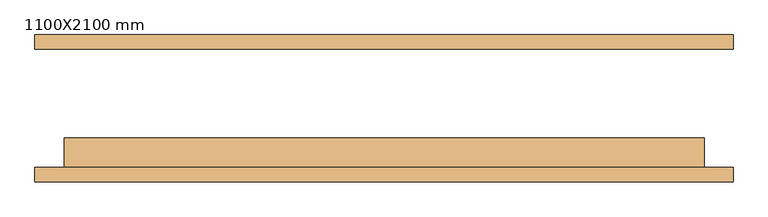
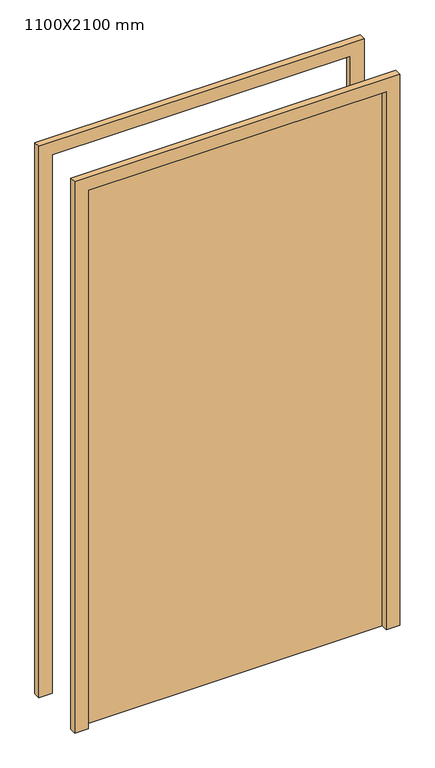
"""IFC4 building model written with IfcOpenShell, lengths in millimetres: door geometry, 1100X2100 mm."""

import ifcopenshell
import ifcopenshell.guid

model = None  # the IFC model being written
_history = None  # IfcOwnerHistory: only IFC2X3 demands one
_inside = {}  # id of a spatial element -> (the spatial element, [elements in it])
_under = {}  # id of a project, library or spatial element -> (it, [spatial elements below it])
_declared = {}  # id of a project -> (the project, [libraries it declares])
_typed = {}  # id of a type object -> (the type object, [elements of that type])
_made_of = {}  # id of a material, layer set ... -> (it, [elements and type objects made of it])


def new_model(schema):
    """Start an empty IFC model of exactly this schema.

    Asked for "IFC4X3", IfcOpenShell would pick the latest addendum, in which some entities
    have other attributes; the version numbers below select the first issue.
    IFC2X3 requires an IfcOwnerHistory on every rooted entity: one is made here for all.
    """
    global model, _history
    if schema == "IFC4X3":
        model = ifcopenshell.file(schema_version=(4, 3, 0, 0))
    else:
        model = ifcopenshell.file(schema=schema)
    _inside.clear()
    _under.clear()
    _declared.clear()
    _typed.clear()
    _made_of.clear()
    _history = None
    if model.schema == "IFC2X3":
        org = make("IfcOrganization", Name="unknown")
        user = make(
            "IfcPersonAndOrganization",
            ThePerson=make("IfcPerson", FamilyName="unknown"),
            TheOrganization=org,
        )
        app = make(
            "IfcApplication",
            ApplicationDeveloper=org,
            Version="unknown",
            ApplicationFullName="unknown",
            ApplicationIdentifier="unknown",
        )
        _history = make(
            "IfcOwnerHistory",
            OwningUser=user,
            OwningApplication=app,
            ChangeAction="ADDED",
            CreationDate=0,
        )
    return model


def make(cls, **values):
    """One entity of the class cls with the attributes given. An attribute that is None is left unset."""
    return model.create_entity(
        cls, **{name: value for name, value in values.items() if value is not None}
    )


def rooted(cls, **values):
    """An entity with a GlobalId (a new one), such as an element, a storey or a relation."""
    return make(cls, GlobalId=ifcopenshell.guid.new(), OwnerHistory=_history, **values)


def si_unit(unit_type, name, prefix=None):
    """IfcSIUnit, for example si_unit("LENGTHUNIT", "METRE", prefix="MILLI")."""
    return make("IfcSIUnit", UnitType=unit_type, Prefix=prefix, Name=name)


def assignment(units):
    """IfcUnitAssignment: the units of a project."""
    return None if units is None else make("IfcUnitAssignment", Units=units)


def point(xyz):
    """IfcCartesianPoint."""
    return None if xyz is None else make("IfcCartesianPoint", Coordinates=xyz)


def direction(xyz):
    """IfcDirection."""
    return None if xyz is None else make("IfcDirection", DirectionRatios=xyz)


def frame(location, z_axis=None, x_axis=None):
    """IfcAxis2Placement3D, a coordinate frame: its origin and axes. An axis left out is left unset."""
    return make(
        "IfcAxis2Placement3D",
        Location=point(location),
        Axis=direction(z_axis),
        RefDirection=direction(x_axis),
    )


def origin():
    """The frame at (0, 0, 0) with its axes left unset."""
    return frame((0.0, 0.0, 0.0))


def origin_with_axes():
    """The frame at (0, 0, 0) with the z axis (0, 0, 1) and the x axis (1, 0, 0) written out."""
    return frame((0.0, 0.0, 0.0), z_axis=(0.0, 0.0, 1.0), x_axis=(1.0, 0.0, 0.0))


def place(relative_to, where):
    """IfcLocalPlacement: puts the frame where relative to a parent placement (None: the world)."""
    return make(
        "IfcLocalPlacement", PlacementRelTo=relative_to, RelativePlacement=where
    )


def context(
    kind, dimensions, precision=None, world=None, true_north=None, identifier=None
):
    """IfcGeometricRepresentationContext, for example the 3D "Model" context."""
    return make(
        "IfcGeometricRepresentationContext",
        ContextIdentifier=identifier,
        ContextType=kind,
        CoordinateSpaceDimension=dimensions,
        Precision=precision,
        WorldCoordinateSystem=world,
        TrueNorth=true_north,
    )


def project(units=None, contexts=None):
    """IfcProject with its units and contexts."""
    return rooted(
        "IfcProject",
        Name="project",
        RepresentationContexts=contexts,
        UnitsInContext=assignment(units),
    )


def spatial(cls, under=None, at=None, **own):
    """A site, building, storey or space (cls), placed at a placement, below another one or the project."""
    s = rooted(cls, ObjectPlacement=at, **own)
    if under is not None:
        _under.setdefault(under.id(), (under, []))[1].append(s)
    return s


def polyline(points):
    """IfcPolyline through the points."""
    return make("IfcPolyline", Points=[point(p) for p in points])


def outline(outer, holes=None, kind="AREA"):
    """IfcArbitraryClosedProfileDef: a profile drawn as a closed curve; with holes, ...WithVoids."""
    if holes is None:
        return make("IfcArbitraryClosedProfileDef", ProfileType=kind, OuterCurve=outer)
    return make(
        "IfcArbitraryProfileDefWithVoids",
        ProfileType=kind,
        OuterCurve=outer,
        InnerCurves=holes,
    )


def extrude(swept, where, along, depth):
    """IfcExtrudedAreaSolid: the profile swept, set in the frame where, extruded along a direction by depth."""
    return make(
        "IfcExtrudedAreaSolid",
        SweptArea=swept,
        Position=where,
        ExtrudedDirection=direction(along),
        Depth=depth,
    )


def shape(context_of_items, identifier, shape_type, items):
    """IfcShapeRepresentation: the items that make up one representation, for example the "Body"."""
    return make(
        "IfcShapeRepresentation",
        ContextOfItems=context_of_items,
        RepresentationIdentifier=identifier,
        RepresentationType=shape_type,
        Items=items,
    )


def source(mapping_origin, context_of_items, identifier, shape_type, items):
    """IfcRepresentationMap: a shape defined once, which mapped items show again and again."""
    return make(
        "IfcRepresentationMap",
        MappingOrigin=mapping_origin,
        MappedRepresentation=shape(context_of_items, identifier, shape_type, items),
    )


def transform(
    local_origin,
    x_axis=None,
    y_axis=None,
    z_axis=None,
    scale=None,
    scale2=None,
    scale3=None,
    uniform=True,
):
    """IfcCartesianTransformationOperator3D, or its non-uniform kind. x_axis, y_axis, z_axis: its Axis1, 2, 3."""
    if uniform:
        return make(
            "IfcCartesianTransformationOperator3D",
            Axis1=direction(x_axis),
            Axis2=direction(y_axis),
            LocalOrigin=point(local_origin),
            Scale=scale,
            Axis3=direction(z_axis),
        )
    return make(
        "IfcCartesianTransformationOperator3DnonUniform",
        Axis1=direction(x_axis),
        Axis2=direction(y_axis),
        LocalOrigin=point(local_origin),
        Scale=scale,
        Axis3=direction(z_axis),
        Scale2=scale2,
        Scale3=scale3,
    )


def mapped(mapping_source, mapping_target):
    """IfcMappedItem: shows the shape of a source again, moved by a transform."""
    return make(
        "IfcMappedItem", MappingSource=mapping_source, MappingTarget=mapping_target
    )


def made_of(thing, what):
    """Note that an element or type object is made of a material, layer set ...; save() writes the relation."""
    if what is not None:
        _made_of.setdefault(what.id(), (what, []))[1].append(thing)
    return thing


def element(
    cls,
    number,
    at=None,
    inside=None,
    cuts=None,
    type_object=None,
    material=None,
    context=None,
    identifier="Body",
    shape_type=None,
    held_by="IfcProductDefinitionShape",
    body=None,
    shapes=None,
    **own,
):
    """One element of the class cls, such as IfcWall. Its Tag is "e" and its number.

    at: its placement. inside: the storey or other place that contains it. cuts: it is an
    opening in that element (IfcRelVoidsElement). A single representation is given by context,
    identifier, shape_type and body (its items); several are given by shapes. held_by: the class
    of the entity that holds the representations. save() writes the other relations.
    """
    e = rooted(cls, Tag="e%d" % number, ObjectPlacement=at, **own)
    if body is not None:
        shapes = [shape(context, identifier, shape_type, body)]
    if shapes is not None:
        e.Representation = make(held_by, Representations=shapes)
    if inside is not None:
        _inside.setdefault(inside.id(), (inside, []))[1].append(e)
    if cuts is not None:
        rooted(
            "IfcRelVoidsElement", RelatingBuildingElement=cuts, RelatedOpeningElement=e
        )
    if type_object is not None:
        _typed.setdefault(type_object.id(), (type_object, []))[1].append(e)
    return made_of(e, material)


def aggregate(whole, parts):
    """IfcRelAggregates: a whole, such as a stair, and the parts it consists of."""
    return rooted("IfcRelAggregates", RelatingObject=whole, RelatedObjects=parts)


def save(model, path):
    """Write the relations noted so far, then the file.

    IfcRelAggregates (storeys below a building ...), IfcRelContainedInSpatialStructure (elements
    in a storey), IfcRelDefinesByType, IfcRelAssociatesMaterial and IfcRelDeclares: one each for
    every whole, place, type object, material and project.
    """
    for whole, parts in _under.values():
        aggregate(whole, parts)
    for where, things in _inside.values():
        rooted(
            "IfcRelContainedInSpatialStructure",
            RelatedElements=things,
            RelatingStructure=where,
        )
    for kind, things in _typed.values():
        rooted("IfcRelDefinesByType", RelatedObjects=things, RelatingType=kind)
    for what, things in _made_of.values():
        rooted("IfcRelAssociatesMaterial", RelatedObjects=things, RelatingMaterial=what)
    for by, libraries in _declared.values():
        rooted("IfcRelDeclares", RelatingContext=by, RelatedDefinitions=libraries)
    model.write(path)


def door_1100x2100_mm_00e273c1(model_context):
    return source(origin(), model_context, "Body", "SweptSolid", [
        extrude(outline(polyline([(2150.0, -600.0), (0.0, -600.0), (0.0, -550.0), (2100.0, -550.0), (2100.0, 550.0), (0.0, 550.0), (0.0, 600.0), (2150.0, 600.0), (2150.0, -600.0)])), frame((0.0, -126.6, 0.0), z_axis=(0.0, 1.0, 0.0), x_axis=(0.0, 0.0, 1.0)), (0.0, 0.0, 1.0), 25.0),
        extrude(outline(polyline([(2150.0, 600.0), (2150.0, -600.0), (0.0, -600.0), (0.0, -550.0), (2100.0, -550.0), (2100.0, 550.0), (0.0, 550.0), (0.0, 600.0), (2150.0, 600.0)])), frame((0.0, 101.6, 0.0), z_axis=(0.0, 1.0, 0.0), x_axis=(0.0, 0.0, 1.0)), (0.0, 0.0, 1.0), 25.0),
        extrude(outline(polyline([(550.0, -50.6), (550.0, -101.6), (-550.0, -101.6), (-550.0, -50.6), (550.0, -50.6)])), origin_with_axes(), (0.0, 0.0, 1.0), 2100.0),
    ])


if __name__ == "__main__":
    model = new_model("IFC4")
    model_context = context("Model", 3, world=origin())
    ifc_project = project(units=[si_unit("LENGTHUNIT", "METRE", prefix="MILLI")], contexts=[model_context])
    site = spatial("IfcSite", under=ifc_project)
    building = spatial("IfcBuilding", under=site)
    placement = place(None, origin())
    door_1100x2100_mm_shape = door_1100x2100_mm_00e273c1(model_context)
    element("IfcDoor", 1, ObjectType="1100X2100 mm", at=placement, inside=building, context=model_context, shape_type="MappedRepresentation", body=[
        mapped(door_1100x2100_mm_shape, transform((0.0, 0.0, 0.0), x_axis=(1.0, 0.0, 0.0), y_axis=(0.0, 1.0, 0.0), z_axis=(0.0, 0.0, 1.0))),
    ])
    save(model, "model.ifc")
